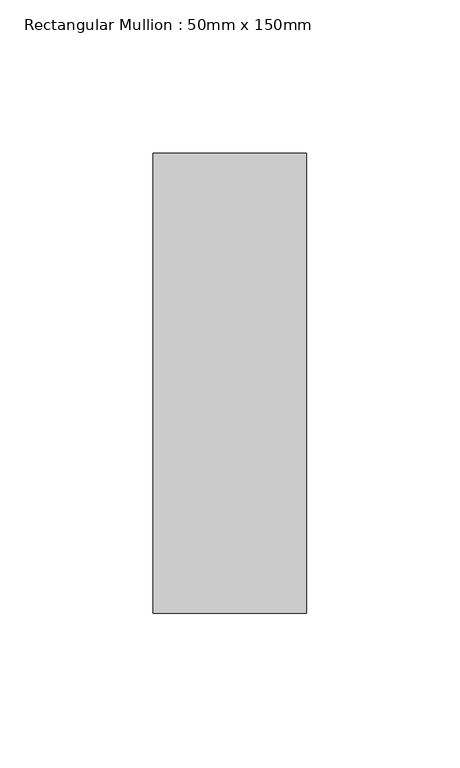
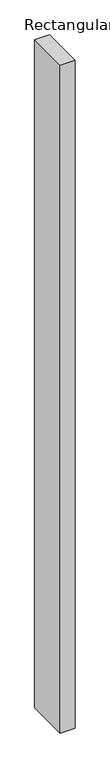
"""IFC4 building model written with IfcOpenShell, lengths in millimetres: member geometry, Rectangular Mullion : 50mm x 150mm."""

from ifc_helpers import new_model, si_unit, frame, origin, place, context, project, spatial, polyline, outline, extrude, source, transform, mapped, element, save


def rectangular_mullion_50mm_x_150mm_6225e4e3(model_context):
    return source(origin(), model_context, "Body", "SweptSolid", [
        extrude(outline(polyline([(25.0, 75.0), (25.0, -75.0), (-25.0, -75.0), (-25.0, 75.0), (25.0, 75.0)])), frame((0.0, 0.0, -2400.0), z_axis=(0.0, 0.0, 1.0), x_axis=(1.0, 0.0, 0.0)), (0.0, 0.0, 1.0), 2400.0),
    ])


if __name__ == "__main__":
    model = new_model("IFC4")
    model_context = context("Model", 3, world=origin())
    ifc_project = project(units=[si_unit("LENGTHUNIT", "METRE", prefix="MILLI")], contexts=[model_context])
    site = spatial("IfcSite", under=ifc_project)
    building = spatial("IfcBuilding", under=site)
    placement = place(None, origin())
    rectangular_mullion_50mm_x_150mm_shape = rectangular_mullion_50mm_x_150mm_6225e4e3(model_context)
    element("IfcMember", 1, ObjectType="Rectangular Mullion : 50mm x 150mm", at=placement, inside=building, context=model_context, shape_type="MappedRepresentation", body=[
        mapped(rectangular_mullion_50mm_x_150mm_shape, transform((0.0, 0.0, 0.0), x_axis=(1.0, 0.0, 0.0), y_axis=(0.0, 1.0, 0.0), z_axis=(0.0, 0.0, 1.0))),
    ])
    save(model, "model.ifc")
